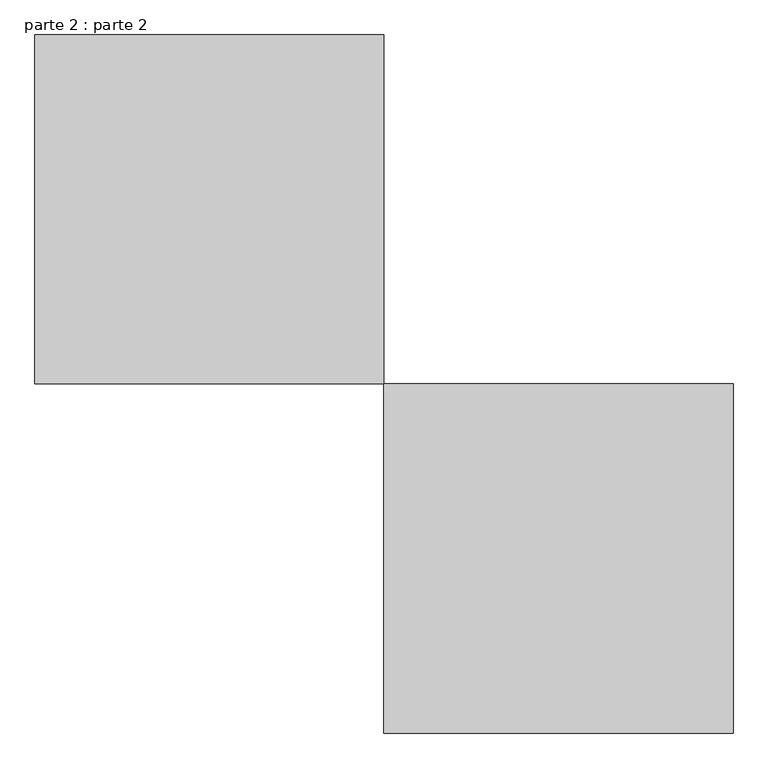
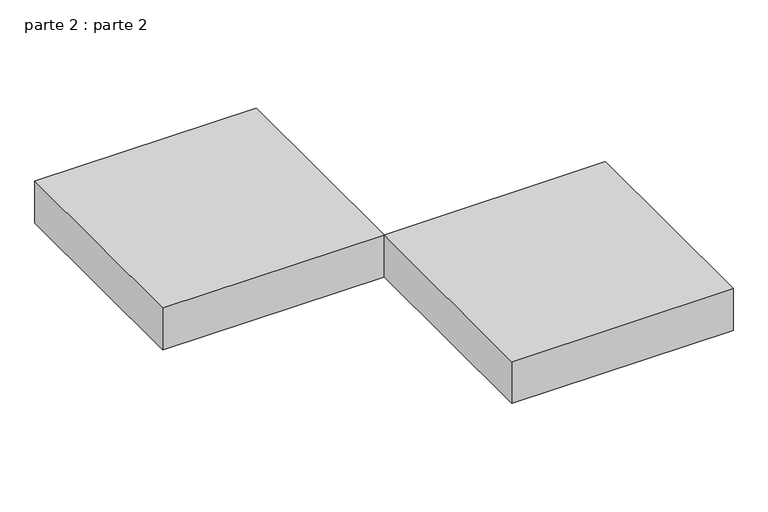
"""IFC4 building model written with IfcOpenShell, lengths in millimetres: proxy geometry, parte 2 : parte 2."""

from ifc_helpers import new_model, si_unit, frame, origin, place, context, project, spatial, polyline, outline, extrude, source, transform, mapped, element, save


def parte_2_parte_2_192168df(model_context):
    return source(origin(), model_context, "Body", "SweptSolid", [
        extrude(outline(polyline([(1000.0, 500.0), (1000.0, 0.0), (500.0, 0.0), (500.0, 500.0), (1000.0, 500.0)])), frame((0.0, 0.0, 1600.0), z_axis=(0.0, 0.0, 1.0), x_axis=(1.0, 0.0, 0.0)), (0.0, 0.0, 1.0), 100.0),
        extrude(outline(polyline([(500.0, 1000.0), (500.0, 500.0), (0.0, 500.0), (0.0, 1000.0), (500.0, 1000.0)])), frame((0.0, 0.0, 1600.0), z_axis=(0.0, 0.0, 1.0), x_axis=(1.0, 0.0, 0.0)), (0.0, 0.0, 1.0), 100.0),
    ])


if __name__ == "__main__":
    model = new_model("IFC4")
    model_context = context("Model", 3, world=origin())
    ifc_project = project(units=[si_unit("LENGTHUNIT", "METRE", prefix="MILLI")], contexts=[model_context])
    site = spatial("IfcSite", under=ifc_project)
    building = spatial("IfcBuilding", under=site)
    placement = place(None, origin())
    parte_2_parte_2_shape = parte_2_parte_2_192168df(model_context)
    element("IfcBuildingElementProxy", 1, Name="parte 2 : parte 2", ObjectType="parte 2 : parte 2", at=placement, inside=building, context=model_context, shape_type="MappedRepresentation", body=[
        mapped(parte_2_parte_2_shape, transform((0.0, 0.0, 0.0), x_axis=(1.0, 0.0, 0.0), y_axis=(0.0, 1.0, 0.0), z_axis=(0.0, 0.0, 1.0))),
    ])
    save(model, "model.ifc")
